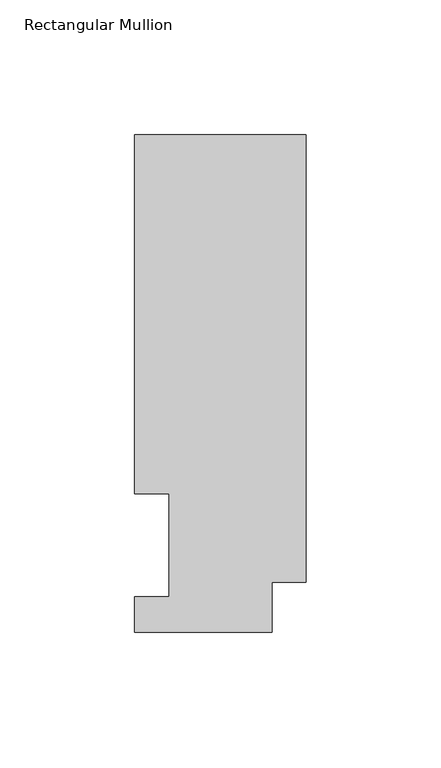
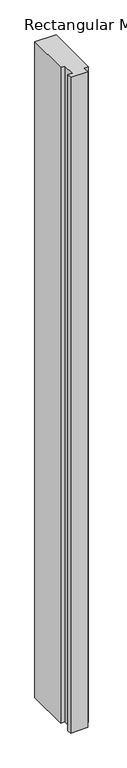
"""IFC4 building model written with IfcOpenShell, lengths in millimetres: member geometry, Rectangular Mullion."""

from ifc_helpers import new_model, si_unit, frame, origin, place, context, project, spatial, polyline, outline, extrude, source, transform, mapped, element, save


def rectangular_mullion_1e6f79a5(model_context):
    return source(origin(), model_context, "Body", "SweptSolid", [
        extrude(outline(polyline([(-63.5, 184.2396938), (0.0, 184.2396938), (0.0, 18.5222276), (-12.7, 18.5222276), (-12.7, 0.0134937), (-63.5, 0.0134937), (-63.5, 13.1960938), (-50.8, 13.1960938), (-50.8, 51.2960938), (-63.5, 51.2960938), (-63.5, 184.2396938)])), frame((0.0, 0.0, -2070.1), z_axis=(0.0, 0.0, 1.0), x_axis=(1.0, 0.0, 0.0)), (0.0, 0.0, 1.0), 2070.1),
    ])


if __name__ == "__main__":
    model = new_model("IFC4")
    model_context = context("Model", 3, world=origin())
    ifc_project = project(units=[si_unit("LENGTHUNIT", "METRE", prefix="MILLI")], contexts=[model_context])
    site = spatial("IfcSite", under=ifc_project)
    building = spatial("IfcBuilding", under=site)
    placement = place(None, origin())
    rectangular_mullion_shape = rectangular_mullion_1e6f79a5(model_context)
    element("IfcMember", 1, ObjectType="Rectangular Mullion", at=placement, inside=building, context=model_context, shape_type="MappedRepresentation", body=[
        mapped(rectangular_mullion_shape, transform((0.0, 0.0, 0.0), x_axis=(1.0, 0.0, 0.0), y_axis=(0.0, 1.0, 0.0), z_axis=(0.0, 0.0, 1.0))),
    ])
    save(model, "model.ifc")
